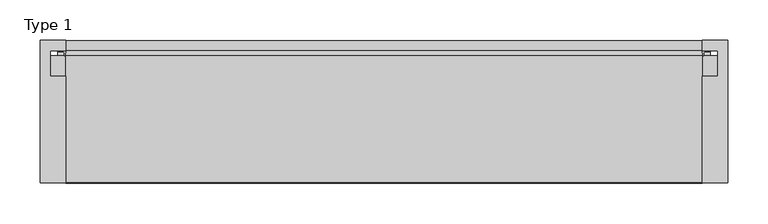
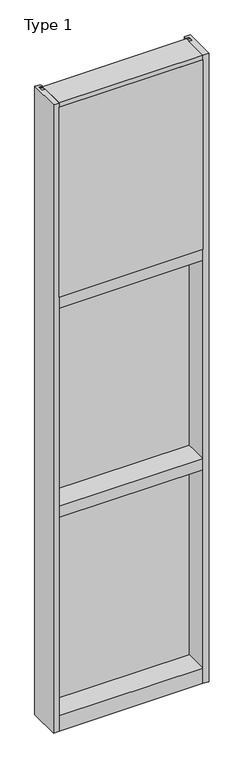
"""IFC4 building model written with IfcOpenShell, lengths in millimetres: plate geometry, Type 1."""

from ifc_helpers import new_model, si_unit, point, frame, frame_2d, origin, place, context, project, spatial, polyline, circle_curve, trimmed, segment, composite_curve, outline, extrude, source, transform, mapped, element, save


def type_1_72be6c70(model_context):
    return source(origin(), model_context, "Body", "SweptSolid", [
        extrude(outline(composite_curve([segment(polyline([(-396.9515008, 34.0361122), (-397.3624462, 27.686), (-398.3289521, 27.686), (-398.3564595, 31.7563748)]), True, "CONTINUOUS"), segment(trimmed(circle_curve(frame_2d((-398.991445, 31.7520836)), 0.635), [point((-398.3564595, 31.7563748))], [point((-398.9563642, 32.3861138))], True, "CARTESIAN"), True, "CONTINUOUS"), segment(polyline([(-398.9563642, 32.3861138), (-405.7117251, 32.7598869)]), True, "CONTINUOUS"), segment(trimmed(circle_curve(frame_2d((-405.5291718, 33.7593519)), 1.016), [point((-405.7117251, 32.7598869))], [point((-406.5067504, 34.0361122))], False, "CARTESIAN"), True, "CONTINUOUS"), segment(polyline([(-406.5067504, 34.0361122), (-396.9515008, 34.0361122)]), True, "CONTINUOUS")], self_intersect=False)), frame((0.0, 0.0, 2459.3728643), z_axis=(0.0, 0.0, 1.0), x_axis=(1.0, 0.0, 0.0)), (0.0, 0.0, 1.0), 1134.7271357),
        extrude(outline(composite_curve([segment(polyline([(397.3624462, 27.686), (396.9515008, 34.0361122), (406.5067504, 34.0361122)]), True, "CONTINUOUS"), segment(trimmed(circle_curve(frame_2d((405.5291718, 33.7593519)), 1.016), [point((406.5067504, 34.0361122))], [point((405.7117251, 32.7598869))], False, "CARTESIAN"), True, "CONTINUOUS"), segment(polyline([(405.7117251, 32.7598869), (398.9563642, 32.3861138)]), True, "CONTINUOUS"), segment(trimmed(circle_curve(frame_2d((398.991445, 31.7520836)), 0.635), [point((398.9563642, 32.3861138))], [point((398.3564595, 31.7563748))], True, "CARTESIAN"), True, "CONTINUOUS"), segment(polyline([(398.3564595, 31.7563748), (398.3289521, 27.686), (397.3624462, 27.686)]), True, "CONTINUOUS")], self_intersect=False)), frame((0.0, 0.0, 2459.3728643), z_axis=(0.0, 0.0, 1.0), x_axis=(1.0, 0.0, 0.0)), (0.0, 0.0, 1.0), 1134.7271357),
        extrude(outline(polyline([(34.0361122, 2459.3728643), (27.686, 2459.3728643), (27.686, 2471.8771952), (34.0361122, 2470.1238955), (34.0361122, 2459.3728643)])), frame((-406.5067504, 0.0, 0.0), z_axis=(1.0, 0.0, 0.0), x_axis=(0.0, 1.0, 0.0)), (0.0, 0.0, 1.0), 813.0135007),
        extrude(outline(polyline([(396.875, -48.514), (396.875, -131.0159103), (-396.875, -131.0159103), (-396.875, -48.514), (396.875, -48.514)])), frame((0.0, 0.0, 2470.15), z_axis=(0.0, 0.0, 1.0), x_axis=(1.0, 0.0, 0.0)), (0.0, 0.0, 1.0), 1104.9),
        extrude(outline(polyline([(415.925, 27.686), (415.925, 2.286), (-415.925, 2.286), (-415.925, 27.686), (415.925, 27.686)])), frame((0.0, 0.0, 2451.1), z_axis=(0.0, 0.0, 1.0), x_axis=(1.0, 0.0, 0.0)), (0.0, 0.0, 1.0), 1143.0),
        extrude(outline(polyline([(-428.625, -130.5814), (-428.625, 47.2186), (-396.8739108, 47.2186), (-396.8739108, 34.036), (-415.925, 34.036), (-415.925, 2.286), (-396.875, 2.286), (-396.875, -130.5814), (-428.625, -130.5814)])), frame((0.0, 0.0, -57.15), z_axis=(0.0, 0.0, 1.0), x_axis=(1.0, 0.0, 0.0)), (0.0, 0.0, 1.0), 3657.6),
        extrude(outline(polyline([(428.625, -130.5814), (396.875, -130.5814), (396.875, 2.286), (415.925, 2.286), (415.925, 34.036), (396.8739108, 34.036), (396.8739108, 47.2186), (428.625, 47.2186), (428.625, -130.5814)])), frame((0.0, 0.0, -57.15), z_axis=(0.0, 0.0, 1.0), x_axis=(1.0, 0.0, 0.0)), (0.0, 0.0, 1.0), 3657.6),
        extrude(outline(polyline([(27.686, 1252.6752684), (34.036, 1250.9219997), (34.036, 1240.1709644), (27.686, 1240.1709644), (27.686, 1252.6752684)])), frame((-406.5078713, 0.0, 0.0), z_axis=(1.0, 0.0, 0.0), x_axis=(0.0, 1.0, 0.0)), (0.0, 0.0, 1.0), 813.0157427),
        extrude(outline(polyline([(27.6860992, 2417.4309356), (34.0360992, 2417.4309356), (34.0360992, 2406.6798775), (27.6860992, 2404.9266088), (27.6860992, 2417.4309356)])), frame((-406.5078713, 0.0, 0.0), z_axis=(1.0, 0.0, 0.0), x_axis=(0.0, 1.0, 0.0)), (0.0, 0.0, 1.0), 813.0157427),
        extrude(outline(composite_curve([segment(trimmed(circle_curve(frame_2d((-398.9925342, 31.7520836)), 0.635), [point((-398.3575487, 31.7563748))], [point((-398.9574534, 32.3861138))], True, "CARTESIAN"), True, "CONTINUOUS"), segment(polyline([(-398.9574534, 32.3861138), (-405.7128143, 32.7598869)]), True, "CONTINUOUS"), segment(trimmed(circle_curve(frame_2d((-405.5302611, 33.7593519)), 1.016), [point((-405.7128143, 32.7598869))], [point((-406.5078713, 34.036))], False, "CARTESIAN"), True, "CONTINUOUS"), segment(polyline([(-406.5078713, 34.036), (-396.9525972, 34.036), (-397.3635354, 27.686), (-398.3300413, 27.686), (-398.3575487, 31.7563748)]), True, "CONTINUOUS")], self_intersect=False)), frame((0.0, 0.0, 1240.1709644), z_axis=(0.0, 0.0, 1.0), x_axis=(1.0, 0.0, 0.0)), (0.0, 0.0, 1.0), 1177.2580861),
        extrude(outline(composite_curve([segment(polyline([(397.3635354, 27.686), (396.9525972, 34.036), (406.5078713, 34.036)]), True, "CONTINUOUS"), segment(trimmed(circle_curve(frame_2d((405.5302611, 33.7593519)), 1.016), [point((406.5078713, 34.036))], [point((405.7128143, 32.7598869))], False, "CARTESIAN"), True, "CONTINUOUS"), segment(polyline([(405.7128143, 32.7598869), (398.9574534, 32.3861138)]), True, "CONTINUOUS"), segment(trimmed(circle_curve(frame_2d((398.9925342, 31.7520836)), 0.635), [point((398.9574534, 32.3861138))], [point((398.3575487, 31.7563748))], True, "CARTESIAN"), True, "CONTINUOUS"), segment(polyline([(398.3575487, 31.7563748), (398.3300413, 27.686), (397.3635354, 27.686)]), True, "CONTINUOUS")], self_intersect=False)), frame((0.0, 0.0, 1240.1709644), z_axis=(0.0, 0.0, 1.0), x_axis=(1.0, 0.0, 0.0)), (0.0, 0.0, 1.0), 1177.2580861),
        extrude(outline(polyline([(415.9260892, 27.686), (415.9260892, 2.286), (-415.9260892, 2.286), (-415.9260892, 27.686), (415.9260892, 27.686)])), frame((0.0, 0.0, 1231.8962001), z_axis=(0.0, 0.0, 1.0), x_axis=(1.0, 0.0, 0.0)), (0.0, 0.0, 1.0), 1193.8037999),
        extrude(outline(polyline([(27.686, 33.4752684), (34.036, 31.7219997), (34.036, 20.9709644), (27.686, 20.9709644), (27.686, 33.4752684)])), frame((-406.5078713, 0.0, 0.0), z_axis=(1.0, 0.0, 0.0), x_axis=(0.0, 1.0, 0.0)), (0.0, 0.0, 1.0), 813.0157427),
        extrude(outline(polyline([(27.6860992, 1198.2309356), (34.0360992, 1198.2309356), (34.0360992, 1187.4798775), (27.6860992, 1185.7266088), (27.6860992, 1198.2309356)])), frame((-406.5078713, 0.0, 0.0), z_axis=(1.0, 0.0, 0.0), x_axis=(0.0, 1.0, 0.0)), (0.0, 0.0, 1.0), 813.0157427),
        extrude(outline(composite_curve([segment(trimmed(circle_curve(frame_2d((-398.9925342, 31.7520836)), 0.635), [point((-398.3575487, 31.7563748))], [point((-398.9574534, 32.3861138))], True, "CARTESIAN"), True, "CONTINUOUS"), segment(polyline([(-398.9574534, 32.3861138), (-405.7128143, 32.7598869)]), True, "CONTINUOUS"), segment(trimmed(circle_curve(frame_2d((-405.5302611, 33.7593519)), 1.016), [point((-405.7128143, 32.7598869))], [point((-406.5078713, 34.036))], False, "CARTESIAN"), True, "CONTINUOUS"), segment(polyline([(-406.5078713, 34.036), (-396.9525972, 34.036), (-397.3635354, 27.686), (-398.3300413, 27.686), (-398.3575487, 31.7563748)]), True, "CONTINUOUS")], self_intersect=False)), frame((0.0, 0.0, 20.9709644), z_axis=(0.0, 0.0, 1.0), x_axis=(1.0, 0.0, 0.0)), (0.0, 0.0, 1.0), 1177.2580861),
        extrude(outline(composite_curve([segment(polyline([(397.3635354, 27.686), (396.9525972, 34.036), (406.5078713, 34.036)]), True, "CONTINUOUS"), segment(trimmed(circle_curve(frame_2d((405.5302611, 33.7593519)), 1.016), [point((406.5078713, 34.036))], [point((405.7128143, 32.7598869))], False, "CARTESIAN"), True, "CONTINUOUS"), segment(polyline([(405.7128143, 32.7598869), (398.9574534, 32.3861138)]), True, "CONTINUOUS"), segment(trimmed(circle_curve(frame_2d((398.9925342, 31.7520836)), 0.635), [point((398.9574534, 32.3861138))], [point((398.3575487, 31.7563748))], True, "CARTESIAN"), True, "CONTINUOUS"), segment(polyline([(398.3575487, 31.7563748), (398.3300413, 27.686), (397.3635354, 27.686)]), True, "CONTINUOUS")], self_intersect=False)), frame((0.0, 0.0, 20.9709644), z_axis=(0.0, 0.0, 1.0), x_axis=(1.0, 0.0, 0.0)), (0.0, 0.0, 1.0), 1177.2580861),
        extrude(outline(polyline([(415.9260892, 27.686), (415.9260892, 2.286), (-415.9260892, 2.286), (-415.9260892, 27.686), (415.9260892, 27.686)])), frame((0.0, 0.0, 12.6962001), z_axis=(0.0, 0.0, 1.0), x_axis=(1.0, 0.0, 0.0)), (0.0, 0.0, 1.0), 1193.8037999),
        extrude(outline(polyline([(0.0, 2470.15), (0.0, 2451.1), (34.13125, 2451.1), (34.13125, 2470.1462001), (46.83125, 2470.1462001), (46.83125, 2406.6462001), (34.13125, 2406.6462001), (34.13125, 2425.7), (0.0, 2425.7), (0.0, 2406.65), (-130.175, 2406.65), (-130.175, 2470.15), (0.0, 2470.15)])), frame((-396.875, 0.0, 0.0), z_axis=(1.0, 0.0, 0.0), x_axis=(0.0, 1.0, 0.0)), (0.0, 0.0, 1.0), 793.75),
        extrude(outline(polyline([(-130.0734, 3600.45), (27.686, 3600.45), (27.686, 3594.1), (0.0, 3594.1), (0.0, 3575.051832), (-130.0734, 3575.051832), (-130.0734, 3600.45)])), frame((-396.875, 0.0, 0.0), z_axis=(1.0, 0.0, 0.0), x_axis=(0.0, 1.0, 0.0)), (0.0, 0.0, 1.0), 793.75),
        extrude(outline(polyline([(0.0, 1250.95), (0.0, 1231.9), (34.13125, 1231.9), (34.13125, 1250.9462001), (46.83125, 1250.9462001), (46.83125, 1187.4462001), (34.13125, 1187.4462001), (34.13125, 1206.5), (0.0, 1206.5), (0.0, 1187.45), (-130.175, 1187.45), (-130.175, 1250.95), (0.0, 1250.95)])), frame((-396.875, 0.0, 0.0), z_axis=(1.0, 0.0, 0.0), x_axis=(0.0, 1.0, 0.0)), (0.0, 0.0, 1.0), 793.75),
        extrude(outline(polyline([(0.0, 31.75), (0.0, 12.7), (34.13125, 12.7), (34.13125, 31.751832), (47.2186148, 31.751832), (47.2186148, -57.15), (-130.175, -57.15), (-130.175, 31.75), (0.0, 31.75)])), frame((-396.875, 0.0, 0.0), z_axis=(1.0, 0.0, 0.0), x_axis=(0.0, 1.0, 0.0)), (0.0, 0.0, 1.0), 793.75),
    ])


if __name__ == "__main__":
    model = new_model("IFC4")
    model_context = context("Model", 3, world=origin())
    ifc_project = project(units=[si_unit("LENGTHUNIT", "METRE", prefix="MILLI")], contexts=[model_context])
    site = spatial("IfcSite", under=ifc_project)
    building = spatial("IfcBuilding", under=site)
    placement = place(None, origin())
    type_1_shape = type_1_72be6c70(model_context)
    element("IfcPlate", 1, ObjectType="Type 1", at=placement, inside=building, context=model_context, shape_type="MappedRepresentation", body=[
        mapped(type_1_shape, transform((0.0, 0.0, 0.0), x_axis=(1.0, 0.0, 0.0), y_axis=(0.0, 1.0, 0.0), z_axis=(0.0, 0.0, 1.0))),
    ])
    save(model, "model.ifc")
